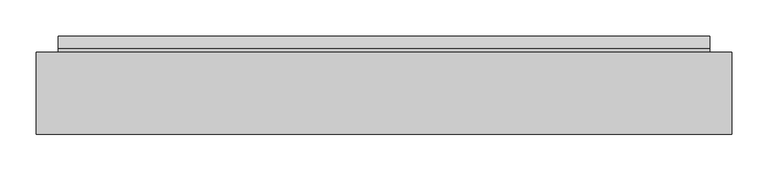
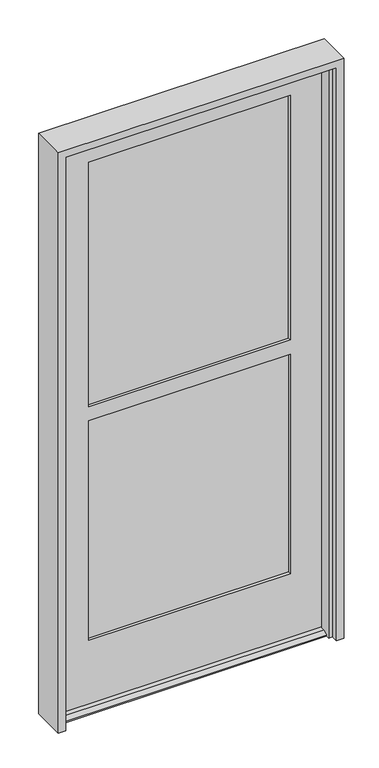
"""IFC4 building model written with IfcOpenShell, lengths in millimetres: plate geometry."""

from ifc_helpers import new_model, si_unit, frame, origin, place, context, project, spatial, polyline, outline, extrude, faceted_brep, source, transform, mapped, element, save


def plate_a06d0d00(model_context):
    return source(origin(), model_context, "Body", "SolidModel", [
        faceted_brep([(452.0692, -65.0875, 12.7), (452.0692, -81.7372454, 12.7), (452.0692, -98.4250908, 4.9183299), (452.0692, -98.4250908, 0.0003044), (452.0692, -65.0875, 0.0003044), (452.0692, 3.175, 0.0003044), (452.0692, 3.175, 4.9183299), (452.0692, -13.5128454, 12.7), (452.0692, -20.6375, 12.7), (452.0692, -20.6375, 0.0003044), (-452.05015, -20.6375, 12.7), (-452.05015, -13.5128454, 12.7), (-452.05015, 3.175, 4.9183299), (-452.05015, 3.175, 0.0003044), (-452.05015, -20.6375, 0.0003044), (-452.05015, -98.4250908, 0.0003044), (-452.05015, -98.4250908, 4.9183299), (-452.05015, -81.7372454, 12.7), (-452.05015, -65.0875, 12.7), (-452.05015, -65.0875, 0.0003044), (452.0692, -65.0875, 2041.525), (454.8378, -20.6375, 2041.525), (-454.81875, -20.6375, 2041.525), (-452.05015, -65.0875, 2041.525), (340.5378, -20.6375, 1945.48125), (340.5378, -30.1625, 1945.48125), (-340.51875, -30.1625, 1945.48125), (-340.51875, -20.6375, 1945.48125), (347.68155, -30.1625, 1952.625), (347.68155, -55.5625, 1952.625), (-347.6625, -55.5625, 1952.625), (-347.6625, -30.1625, 1952.625), (340.5378, -55.5625, 1945.48125), (340.5378, -65.0875, 1945.48125), (-340.51875, -65.0875, 1945.48125), (-340.51875, -55.5625, 1945.48125), (347.68155, -55.5625, 1029.49375), (-347.6625, -55.5625, 1029.49375), (-347.6625, -30.1625, 1029.49375), (347.68155, -30.1625, 1029.49375), (-340.51875, -20.6375, 1022.35), (340.5378, -20.6375, 1022.35), (340.5378, -30.1625, 1022.35), (-340.51875, -30.1625, 1022.35), (340.5378, -20.6375, 1073.15), (-340.51875, -20.6375, 1073.15), (-340.51875, -30.1625, 1073.15), (340.5378, -30.1625, 1073.15), (-347.6625, -55.5625, 1066.00625), (347.68155, -55.5625, 1066.00625), (347.68155, -30.1625, 1066.00625), (-347.6625, -30.1625, 1066.00625), (340.5378, -55.5625, 1073.15), (-340.51875, -55.5625, 1073.15), (-340.51875, -65.0875, 1073.15), (340.5378, -65.0875, 1073.15), (-340.51875, -55.5625, 1022.35), (340.5378, -55.5625, 1022.35), (340.5378, -65.0875, 1022.35), (-340.51875, -65.0875, 1022.35), (347.68155, -55.5625, 232.56875), (347.68155, -30.1625, 232.56875), (-347.6625, -30.1625, 232.56875), (-347.6625, -55.5625, 232.56875), (-340.51875, -55.5625, 239.7125), (340.5378, -55.5625, 239.7125), (340.5378, -65.0875, 239.7125), (-340.51875, -65.0875, 239.7125), (-454.81875, -20.6375, 0.0003044), (454.8378, -20.6375, 0.0003044), (-340.51875, -20.6375, 239.7125), (340.5378, -20.6375, 239.7125), (340.5378, -30.1625, 239.7125), (-340.51875, -30.1625, 239.7125)], [[[0, 1, 2, 3, 4]], [[5, 6, 7, 8, 9]], [[10, 11, 12, 13, 14]], [[15, 16, 17, 18, 19]], [[20, 21, 22, 23]], [[24, 25, 26, 27]], [[28, 29, 30, 31]], [[32, 33, 34, 35]], [[36, 37, 38, 39]], [[40, 41, 42, 43]], [[44, 45, 46, 47]], [[48, 49, 50, 51]], [[52, 53, 54, 55]], [[56, 57, 58, 59]], [[60, 61, 62, 63]], [[30, 29, 49, 48], [32, 35, 53, 52]], [[60, 63, 37, 36], [64, 65, 57, 56]], [[66, 65, 64, 67]], [[20, 23, 18, 0], [34, 33, 55, 54], [67, 59, 58, 66]], [[1, 0, 18, 17]], [[2, 1, 17, 16]], [[3, 2, 16, 15]], [[3, 15, 19, 68, 14, 13, 5, 9, 69, 4]], [[6, 5, 13, 12]], [[7, 6, 12, 11]], [[8, 7, 11, 10]], [[21, 69, 9, 8, 10, 14, 68, 22], [27, 45, 44, 24], [70, 71, 41, 40]], [[72, 71, 70, 73]], [[28, 31, 51, 50], [26, 25, 47, 46]], [[62, 61, 39, 38], [72, 73, 43, 42]], [[18, 23, 22, 68, 19]], [[35, 34, 54, 53]], [[67, 64, 56, 59]], [[37, 63, 62, 38]], [[51, 31, 30, 48]], [[27, 26, 46, 45]], [[73, 70, 40, 43]], [[25, 24, 44, 47]], [[71, 72, 42, 41]], [[49, 29, 28, 50]], [[39, 61, 60, 36]], [[33, 32, 52, 55]], [[65, 66, 58, 57]], [[21, 20, 0, 4, 69]]]),
        extrude(outline(polyline([(-347.6625, -36.4617), (-347.6625, -30.1625), (347.68155, -30.1625), (347.68155, -36.4617), (-347.6625, -36.4617)])), frame((0.0, 0.0, 232.56875), z_axis=(0.0, 0.0, 1.0), x_axis=(1.0, 0.0, 0.0)), (0.0, 0.0, 1.0), 796.925),
        extrude(outline(polyline([(-347.6625, -55.5625), (-347.6625, -49.2633), (347.68155, -49.2633), (347.68155, -55.5625), (-347.6625, -55.5625)])), frame((0.0, 0.0, 232.56875), z_axis=(0.0, 0.0, 1.0), x_axis=(1.0, 0.0, 0.0)), (0.0, 0.0, 1.0), 796.925),
        extrude(outline(polyline([(347.68155, -54.8335632), (-347.6625, -54.8335632), (-347.6625, -48.5343632), (347.68155, -48.5343632), (347.68155, -54.8335632)])), frame((0.0, 0.0, 1066.00625), z_axis=(0.0, 0.0, 1.0), x_axis=(1.0, 0.0, 0.0)), (0.0, 0.0, 1.0), 886.61875),
        extrude(outline(polyline([(-347.6625, -29.4335632), (347.68155, -29.4335632), (347.68155, -35.7327632), (-347.6625, -35.7327632), (-347.6625, -29.4335632)])), frame((0.0, 0.0, 1066.00625), z_axis=(0.0, 0.0, 1.0), x_axis=(1.0, 0.0, 0.0)), (0.0, 0.0, 1.0), 886.61875),
        faceted_brep([(444.5, -69.088, 0.0), (457.2, -69.088, 0.0), (457.2, -19.05, 0.0), (482.6, -19.05, 0.0), (482.6, -133.35, 0.0), (457.2, -133.35, 0.0), (457.2, -110.363, 0.0), (444.5, -110.363, 0.0), (482.6, -133.35, 2070.1), (482.6, -19.05, 2070.1), (-482.6, -19.05, 2070.1), (-482.6, -133.35, 2070.1), (444.5, -69.088, 2032.0), (-444.5, -69.088, 2032.0), (-444.5, -69.088, 0.0), (-457.2, -69.088, 0.0), (-457.2, -69.088, 2044.7), (457.2, -69.088, 2044.7), (457.2, -19.05, 2044.7), (-457.2, -19.05, 2044.7), (-457.2, -19.05, 0.0), (-482.6, -19.05, 0.0), (-482.6, -133.35, 0.0), (-457.2, -133.35, 0.0), (-457.2, -133.35, 2044.7), (457.2, -133.35, 2044.7), (457.2, -110.363, 2044.7), (-457.2, -110.363, 2044.7), (-457.2, -110.363, 0.0), (-444.5, -110.363, 0.0), (-444.5, -110.363, 2032.0), (444.5, -110.363, 2032.0)], [[[0, 1, 2, 3, 4, 5, 6, 7]], [[8, 9, 10, 11]], [[1, 0, 12, 13, 14, 15, 16, 17]], [[2, 1, 17, 18]], [[3, 2, 18, 19, 20, 21, 10, 9]], [[8, 4, 3, 9]], [[5, 4, 8, 11, 22, 23, 24, 25]], [[26, 6, 5, 25]], [[7, 6, 26, 27, 28, 29, 30, 31]], [[0, 7, 31, 12]], [[14, 29, 28, 23, 22, 21, 20, 15]], [[29, 14, 13, 30]], [[23, 28, 27, 24]], [[10, 21, 22, 11]], [[16, 15, 20, 19]], [[27, 26, 25, 24]], [[17, 16, 19, 18]], [[13, 12, 31, 30]]]),
    ])


if __name__ == "__main__":
    model = new_model("IFC4")
    model_context = context("Model", 3, world=origin())
    ifc_project = project(units=[si_unit("LENGTHUNIT", "METRE", prefix="MILLI")], contexts=[model_context])
    site = spatial("IfcSite", under=ifc_project)
    building = spatial("IfcBuilding", under=site)
    placement = place(None, origin())
    plate_shape = plate_a06d0d00(model_context)
    element("IfcPlate", 1, at=placement, inside=building, context=model_context, shape_type="MappedRepresentation", body=[
        mapped(plate_shape, transform((0.0, 0.0, 0.0), x_axis=(1.0, 0.0, 0.0), y_axis=(0.0, 1.0, 0.0), z_axis=(0.0, 0.0, 1.0))),
    ])
    save(model, "model.ifc")
